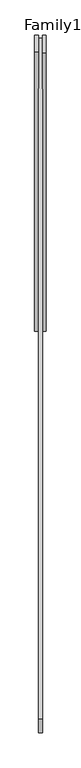
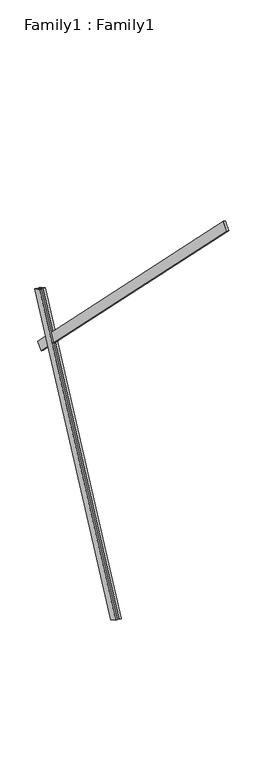
"""IFC4 building model written with IfcOpenShell, lengths in millimetres: proxy geometry, Family1 : Family1."""

from ifc_helpers import new_model, si_unit, frame, origin, place, context, project, spatial, polyline, outline, extrude, source, transform, mapped, element, save


def family1_family1_92ce3761(model_context):
    return source(origin(), model_context, "Body", "SweptSolid", [
        extrude(outline(polyline([(0.0, 0.0), (0.0, -20.0), (-100.0000001, -20.0), (-100.0000001, 0.0), (0.0, 0.0)])), frame((-30.0, 46.3241747, -22.5938096), z_axis=(0.0, 0.4383711467890692, 0.8987940462991711), x_axis=(0.0, 0.8987940462991711, -0.4383711467890692)), (0.0, 0.0, 1.0), 3300.0),
        extrude(outline(polyline([(0.0, 0.0), (0.0, -20.0), (-99.9999999, -20.0), (-99.9999999, 0.0), (0.0, 0.0)])), frame((10.0, 45.270232, -22.0797674), z_axis=(0.0, 0.4383711467890692, 0.8987940462991711), x_axis=(0.0, 0.8987940462991711, -0.4383711467890692)), (0.0, 0.0, 1.0), 3300.0),
        extrude(outline(polyline([(0.0, -20.0), (0.0, 0.0), (5000.0, 0.0), (5000.0, -20.0), (0.0, -20.0)])), frame((-10.0, -2130.0893693, 5803.4412318), z_axis=(0.0, 0.7071067811865489, 0.7071067811865461), x_axis=(0.0, 0.7071067811865461, -0.7071067811865489)), (0.0, 0.0, 1.0), 100.0),
    ])


if __name__ == "__main__":
    model = new_model("IFC4")
    model_context = context("Model", 3, world=origin())
    ifc_project = project(units=[si_unit("LENGTHUNIT", "METRE", prefix="MILLI")], contexts=[model_context])
    site = spatial("IfcSite", under=ifc_project)
    building = spatial("IfcBuilding", under=site)
    placement = place(None, origin())
    family1_family1_shape = family1_family1_92ce3761(model_context)
    element("IfcBuildingElementProxy", 1, Name="Family1 : Family1", ObjectType="Family1 : Family1", at=placement, inside=building, context=model_context, shape_type="MappedRepresentation", body=[
        mapped(family1_family1_shape, transform((0.0, 0.0, 0.0), x_axis=(1.0, 0.0, 0.0), y_axis=(0.0, 1.0, 0.0), z_axis=(0.0, 0.0, 1.0))),
    ])
    save(model, "model.ifc")
